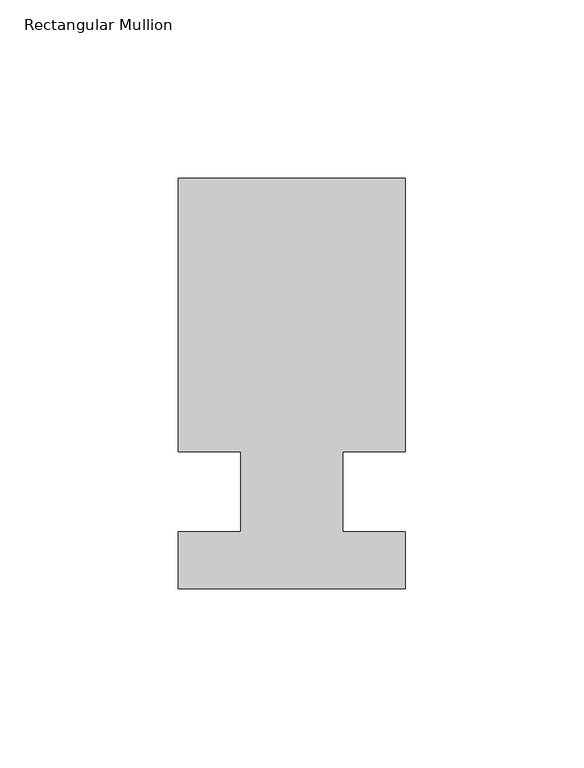
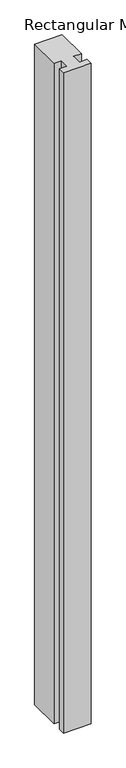
"""IFC4 building model written with IfcOpenShell, lengths in millimetres: member geometry, Rectangular Mullion."""

from ifc_helpers import new_model, si_unit, frame, origin, place, context, project, spatial, polyline, outline, extrude, source, transform, mapped, element, save


def rectangular_mullion_9a3e4c52(model_context):
    return source(origin(), model_context, "Body", "SweptSolid", [
        extrude(outline(polyline([(31.75, 114.5309812), (31.75, 38.0007812), (14.2875, 38.0007813), (14.2875, 15.5217812), (31.75, 15.5217812), (31.75, -0.3278188), (-31.75, -0.3278188), (-31.75, 15.5217812), (-14.2875, 15.5217812), (-14.2875, 38.0007812), (-31.75, 38.0007813), (-31.75, 114.5309812), (31.75, 114.5309812)])), frame((0.0, 0.0, -1612.9), z_axis=(0.0, 0.0, 1.0), x_axis=(1.0, 0.0, 0.0)), (0.0, 0.0, 1.0), 1612.9),
    ])


if __name__ == "__main__":
    model = new_model("IFC4")
    model_context = context("Model", 3, world=origin())
    ifc_project = project(units=[si_unit("LENGTHUNIT", "METRE", prefix="MILLI")], contexts=[model_context])
    site = spatial("IfcSite", under=ifc_project)
    building = spatial("IfcBuilding", under=site)
    placement = place(None, origin())
    rectangular_mullion_shape = rectangular_mullion_9a3e4c52(model_context)
    element("IfcMember", 1, ObjectType="Rectangular Mullion", at=placement, inside=building, context=model_context, shape_type="MappedRepresentation", body=[
        mapped(rectangular_mullion_shape, transform((0.0, 0.0, 0.0), x_axis=(1.0, 0.0, 0.0), y_axis=(0.0, 1.0, 0.0), z_axis=(0.0, 0.0, 1.0))),
    ])
    save(model, "model.ifc")
